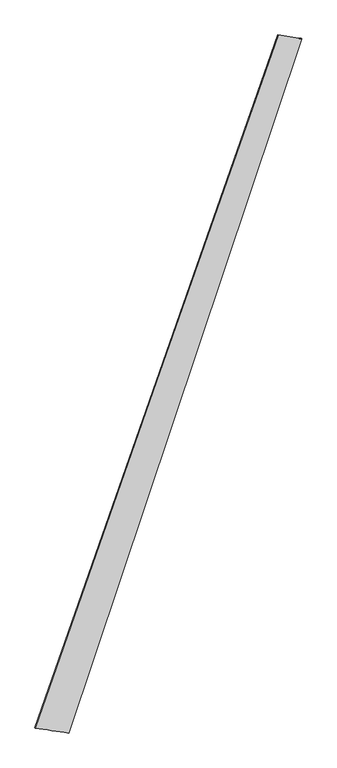
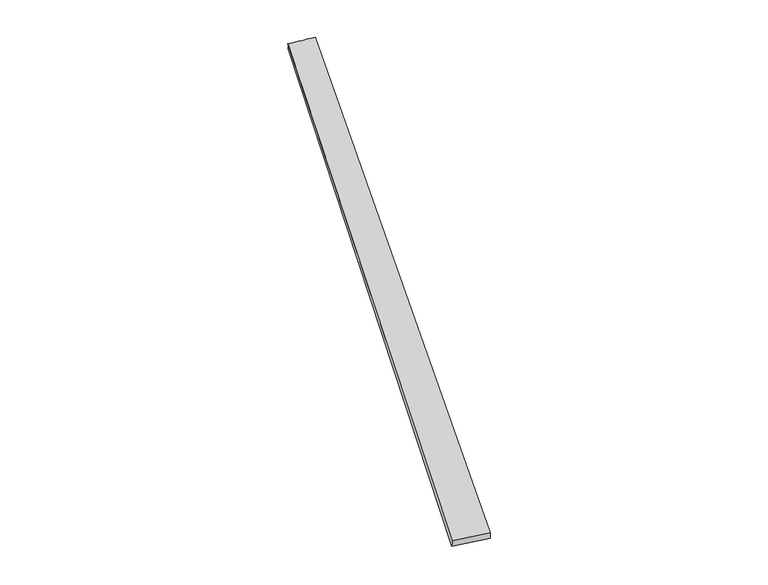
"""IFC4 building model written with IfcOpenShell, lengths in millimetres: proxy geometry."""

import ifcopenshell
import ifcopenshell.guid

model = None  # the IFC model being written
_history = None  # IfcOwnerHistory: only IFC2X3 demands one
_inside = {}  # id of a spatial element -> (the spatial element, [elements in it])
_under = {}  # id of a project, library or spatial element -> (it, [spatial elements below it])
_declared = {}  # id of a project -> (the project, [libraries it declares])
_typed = {}  # id of a type object -> (the type object, [elements of that type])
_made_of = {}  # id of a material, layer set ... -> (it, [elements and type objects made of it])


def new_model(schema):
    """Start an empty IFC model of exactly this schema.

    Asked for "IFC4X3", IfcOpenShell would pick the latest addendum, in which some entities
    have other attributes; the version numbers below select the first issue.
    IFC2X3 requires an IfcOwnerHistory on every rooted entity: one is made here for all.
    """
    global model, _history
    if schema == "IFC4X3":
        model = ifcopenshell.file(schema_version=(4, 3, 0, 0))
    else:
        model = ifcopenshell.file(schema=schema)
    _inside.clear()
    _under.clear()
    _declared.clear()
    _typed.clear()
    _made_of.clear()
    _history = None
    if model.schema == "IFC2X3":
        org = make("IfcOrganization", Name="unknown")
        user = make(
            "IfcPersonAndOrganization",
            ThePerson=make("IfcPerson", FamilyName="unknown"),
            TheOrganization=org,
        )
        app = make(
            "IfcApplication",
            ApplicationDeveloper=org,
            Version="unknown",
            ApplicationFullName="unknown",
            ApplicationIdentifier="unknown",
        )
        _history = make(
            "IfcOwnerHistory",
            OwningUser=user,
            OwningApplication=app,
            ChangeAction="ADDED",
            CreationDate=0,
        )
    return model


def make(cls, **values):
    """One entity of the class cls with the attributes given. An attribute that is None is left unset."""
    return model.create_entity(
        cls, **{name: value for name, value in values.items() if value is not None}
    )


def rooted(cls, **values):
    """An entity with a GlobalId (a new one), such as an element, a storey or a relation."""
    return make(cls, GlobalId=ifcopenshell.guid.new(), OwnerHistory=_history, **values)


def si_unit(unit_type, name, prefix=None):
    """IfcSIUnit, for example si_unit("LENGTHUNIT", "METRE", prefix="MILLI")."""
    return make("IfcSIUnit", UnitType=unit_type, Prefix=prefix, Name=name)


def assignment(units):
    """IfcUnitAssignment: the units of a project."""
    return None if units is None else make("IfcUnitAssignment", Units=units)


def point(xyz):
    """IfcCartesianPoint."""
    return None if xyz is None else make("IfcCartesianPoint", Coordinates=xyz)


def direction(xyz):
    """IfcDirection."""
    return None if xyz is None else make("IfcDirection", DirectionRatios=xyz)


def frame(location, z_axis=None, x_axis=None):
    """IfcAxis2Placement3D, a coordinate frame: its origin and axes. An axis left out is left unset."""
    return make(
        "IfcAxis2Placement3D",
        Location=point(location),
        Axis=direction(z_axis),
        RefDirection=direction(x_axis),
    )


def origin():
    """The frame at (0, 0, 0) with its axes left unset."""
    return frame((0.0, 0.0, 0.0))


def place(relative_to, where):
    """IfcLocalPlacement: puts the frame where relative to a parent placement (None: the world)."""
    return make(
        "IfcLocalPlacement", PlacementRelTo=relative_to, RelativePlacement=where
    )


def context(
    kind, dimensions, precision=None, world=None, true_north=None, identifier=None
):
    """IfcGeometricRepresentationContext, for example the 3D "Model" context."""
    return make(
        "IfcGeometricRepresentationContext",
        ContextIdentifier=identifier,
        ContextType=kind,
        CoordinateSpaceDimension=dimensions,
        Precision=precision,
        WorldCoordinateSystem=world,
        TrueNorth=true_north,
    )


def project(units=None, contexts=None):
    """IfcProject with its units and contexts."""
    return rooted(
        "IfcProject",
        Name="project",
        RepresentationContexts=contexts,
        UnitsInContext=assignment(units),
    )


def spatial(cls, under=None, at=None, **own):
    """A site, building, storey or space (cls), placed at a placement, below another one or the project."""
    s = rooted(cls, ObjectPlacement=at, **own)
    if under is not None:
        _under.setdefault(under.id(), (under, []))[1].append(s)
    return s


def shape(context_of_items, identifier, shape_type, items):
    """IfcShapeRepresentation: the items that make up one representation, for example the "Body"."""
    return make(
        "IfcShapeRepresentation",
        ContextOfItems=context_of_items,
        RepresentationIdentifier=identifier,
        RepresentationType=shape_type,
        Items=items,
    )


def source(mapping_origin, context_of_items, identifier, shape_type, items):
    """IfcRepresentationMap: a shape defined once, which mapped items show again and again."""
    return make(
        "IfcRepresentationMap",
        MappingOrigin=mapping_origin,
        MappedRepresentation=shape(context_of_items, identifier, shape_type, items),
    )


def transform(
    local_origin,
    x_axis=None,
    y_axis=None,
    z_axis=None,
    scale=None,
    scale2=None,
    scale3=None,
    uniform=True,
):
    """IfcCartesianTransformationOperator3D, or its non-uniform kind. x_axis, y_axis, z_axis: its Axis1, 2, 3."""
    if uniform:
        return make(
            "IfcCartesianTransformationOperator3D",
            Axis1=direction(x_axis),
            Axis2=direction(y_axis),
            LocalOrigin=point(local_origin),
            Scale=scale,
            Axis3=direction(z_axis),
        )
    return make(
        "IfcCartesianTransformationOperator3DnonUniform",
        Axis1=direction(x_axis),
        Axis2=direction(y_axis),
        LocalOrigin=point(local_origin),
        Scale=scale,
        Axis3=direction(z_axis),
        Scale2=scale2,
        Scale3=scale3,
    )


def mapped(mapping_source, mapping_target):
    """IfcMappedItem: shows the shape of a source again, moved by a transform."""
    return make(
        "IfcMappedItem", MappingSource=mapping_source, MappingTarget=mapping_target
    )


def made_of(thing, what):
    """Note that an element or type object is made of a material, layer set ...; save() writes the relation."""
    if what is not None:
        _made_of.setdefault(what.id(), (what, []))[1].append(thing)
    return thing


def element(
    cls,
    number,
    at=None,
    inside=None,
    cuts=None,
    type_object=None,
    material=None,
    context=None,
    identifier="Body",
    shape_type=None,
    held_by="IfcProductDefinitionShape",
    body=None,
    shapes=None,
    **own,
):
    """One element of the class cls, such as IfcWall. Its Tag is "e" and its number.

    at: its placement. inside: the storey or other place that contains it. cuts: it is an
    opening in that element (IfcRelVoidsElement). A single representation is given by context,
    identifier, shape_type and body (its items); several are given by shapes. held_by: the class
    of the entity that holds the representations. save() writes the other relations.
    """
    e = rooted(cls, Tag="e%d" % number, ObjectPlacement=at, **own)
    if body is not None:
        shapes = [shape(context, identifier, shape_type, body)]
    if shapes is not None:
        e.Representation = make(held_by, Representations=shapes)
    if inside is not None:
        _inside.setdefault(inside.id(), (inside, []))[1].append(e)
    if cuts is not None:
        rooted(
            "IfcRelVoidsElement", RelatingBuildingElement=cuts, RelatedOpeningElement=e
        )
    if type_object is not None:
        _typed.setdefault(type_object.id(), (type_object, []))[1].append(e)
    return made_of(e, material)


def aggregate(whole, parts):
    """IfcRelAggregates: a whole, such as a stair, and the parts it consists of."""
    return rooted("IfcRelAggregates", RelatingObject=whole, RelatedObjects=parts)


def save(model, path):
    """Write the relations noted so far, then the file.

    IfcRelAggregates (storeys below a building ...), IfcRelContainedInSpatialStructure (elements
    in a storey), IfcRelDefinesByType, IfcRelAssociatesMaterial and IfcRelDeclares: one each for
    every whole, place, type object, material and project.
    """
    for whole, parts in _under.values():
        aggregate(whole, parts)
    for where, things in _inside.values():
        rooted(
            "IfcRelContainedInSpatialStructure",
            RelatedElements=things,
            RelatingStructure=where,
        )
    for kind, things in _typed.values():
        rooted("IfcRelDefinesByType", RelatedObjects=things, RelatingType=kind)
    for what, things in _made_of.values():
        rooted("IfcRelAssociatesMaterial", RelatedObjects=things, RelatingMaterial=what)
    for by, libraries in _declared.values():
        rooted("IfcRelDeclares", RelatingContext=by, RelatedDefinitions=libraries)
    model.write(path)


def spline_surface(u_degree, v_degree, points, u_multiplicities, v_multiplicities, u_knots, v_knots, weights=None):
    """IfcBSplineSurfaceWithKnots; with weights, IfcRationalBSplineSurfaceWithKnots. points: one row for each step in u."""
    own = dict(
        UDegree=u_degree,
        VDegree=v_degree,
        ControlPointsList=[[point(p) for p in row] for row in points],
        SurfaceForm="UNSPECIFIED",
        UClosed=False,
        VClosed=False,
        SelfIntersect=False,
        UMultiplicities=u_multiplicities,
        VMultiplicities=v_multiplicities,
        UKnots=u_knots,
        VKnots=v_knots,
        KnotSpec="UNSPECIFIED",
    )
    if weights is None:
        return make("IfcBSplineSurfaceWithKnots", **own)
    return make("IfcRationalBSplineSurfaceWithKnots", WeightsData=weights, **own)


def advanced_brep(points, edges, surfaces, faces):
    """IfcAdvancedBrep: a solid bounded by faces that lie on surfaces and meet in shared edges.

    An edge is (start, end): straight between two places in points (the first is 0);
    or (start, end, curve); or (start, end, curve, False) where it runs against its curve.
    A face is (place in surfaces, loops), or (place, loops, False) where it looks against
    its surface's normal. A loop lists edges by number (the first is 1), with a minus sign
    where the edge is run from its end to its start. The first loop is the outer one.
    """
    corners = [point(p) for p in points]
    vertices = [make("IfcVertexPoint", VertexGeometry=c) for c in corners]
    made = []
    for start, end, *more in edges:
        made.append(
            make(
                "IfcEdgeCurve",
                EdgeStart=vertices[start],
                EdgeEnd=vertices[end],
                EdgeGeometry=more[0] if more else make("IfcPolyline", Points=[corners[start], corners[end]]),
                SameSense=more[1] if len(more) > 1 else True,
            )
        )
    hull = []
    for where, loops, *sense in faces:
        bounds = []
        for j, loop in enumerate(loops):
            ring = [make("IfcOrientedEdge", EdgeElement=made[abs(k) - 1], Orientation=k > 0) for k in loop]
            bounds.append(
                make(
                    "IfcFaceOuterBound" if j == 0 else "IfcFaceBound",
                    Bound=make("IfcEdgeLoop", EdgeList=ring),
                    Orientation=True,
                )
            )
        hull.append(make("IfcAdvancedFace", Bounds=bounds, FaceSurface=surfaces[where], SameSense=sense[0] if sense else True))
    return make("IfcAdvancedBrep", Outer=make("IfcClosedShell", CfsFaces=hull))


def generic_models_03caccff(model_context):
    return source(origin(), model_context, "Body", "AdvancedBrep", [
        advanced_brep(
        [(-684.2630374, -1733.4663615, 1.3929793), (-683.654691, -1733.6536098, 31.3862261), (672.1982078, 2138.7563782, 27.9346963), (674.1891878, 2138.0316203, -1.9903889), (-495.4974312, -1762.0653818, 28.6050552), (806.2172366, 2117.231047, 31.9882185), (-495.7818284, -1761.9437884, -1.3933503), (805.8556781, 2117.3785296, 1.9907599)],
        [
            (0, 1),
            (1, 2),
            (2, 3),
            (3, 0),
            (1, 4),
            (4, 5),
            (5, 2),
            (4, 6),
            (6, 7),
            (7, 5),
            (6, 0),
            (3, 7),
        ],
        [
            spline_surface(1, 1, [[(-684.2630374, -1733.4663615, 1.3929793), (674.1891878, 2138.0316203, -1.9903889)], [(-683.654691, -1733.6536098, 31.3862261), (672.1982078, 2138.7563782, 27.9346963)]], [2, 2], [2, 2], [0.0, 1.0], [0.0, 1.0]),
            spline_surface(1, 1, [[(-683.654691, -1733.6536098, 31.3862261), (672.1982078, 2138.7563782, 27.9346963)], [(-495.4974312, -1762.0653818, 28.6050552), (806.2172366, 2117.231047, 31.9882185)]], [2, 2], [2, 2], [0.0, 1.0], [0.0, 1.0]),
            spline_surface(1, 1, [[(-495.4974312, -1762.0653818, 28.6050552), (806.2172366, 2117.231047, 31.9882185)], [(-495.7818284, -1761.9437884, -1.3933503), (805.8556781, 2117.3785296, 1.9907599)]], [2, 2], [2, 2], [0.0, 1.0], [0.0, 1.0]),
            spline_surface(1, 1, [[(-495.7818284, -1761.9437884, -1.3933503), (805.8556781, 2117.3785296, 1.9907599)], [(-684.2630374, -1733.4663615, 1.3929793), (674.1891878, 2138.0316203, -1.9903889)]], [2, 2], [2, 2], [0.0, 1.0], [0.0, 1.0]),
            spline_surface(1, 1, [[(672.1982078, 2138.7563782, 27.9346963), (674.1891878, 2138.0316203, -1.9903889)], [(806.2172366, 2117.231047, 31.9882185), (805.8556781, 2117.3785296, 1.9907599)]], [2, 2], [2, 2], [0.0, 1.0], [0.0, 1.0]),
            spline_surface(1, 1, [[(-495.7818284, -1761.9437884, -1.3933503), (-684.2630374, -1733.4663615, 1.3929793)], [(-495.4974312, -1762.0653818, 28.6050552), (-683.654691, -1733.6536098, 31.3862261)]], [2, 2], [2, 2], [0.0, 1.0], [0.0, 1.0]),
        ],
        [
            (0, [[1, 2, 3, 4]]),
            (1, [[5, 6, 7, -2]]),
            (2, [[8, 9, 10, -6]]),
            (3, [[11, -4, 12, -9]]),
            (4, [[-3, -7, -10, -12]]),
            (5, [[-11, -8, -5, -1]]),
        ],
    ),
    ])


if __name__ == "__main__":
    model = new_model("IFC4")
    model_context = context("Model", 3, world=origin())
    ifc_project = project(units=[si_unit("LENGTHUNIT", "METRE", prefix="MILLI")], contexts=[model_context])
    site = spatial("IfcSite", under=ifc_project)
    building = spatial("IfcBuilding", under=site)
    placement = place(None, origin())
    generic_models_shape = generic_models_03caccff(model_context)
    element("IfcBuildingElementProxy", 1, Name="Generic Models", at=placement, inside=building, context=model_context, shape_type="MappedRepresentation", body=[
        mapped(generic_models_shape, transform((0.0, 0.0, 0.0), x_axis=(1.0, 0.0, 0.0), y_axis=(0.0, 1.0, 0.0), z_axis=(0.0, 0.0, 1.0))),
    ])
    save(model, "model.ifc")
